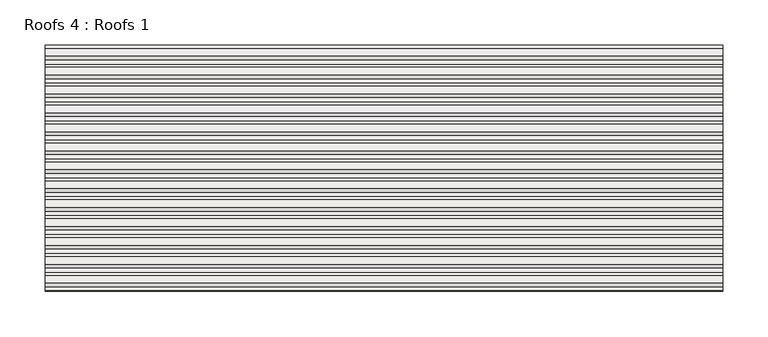
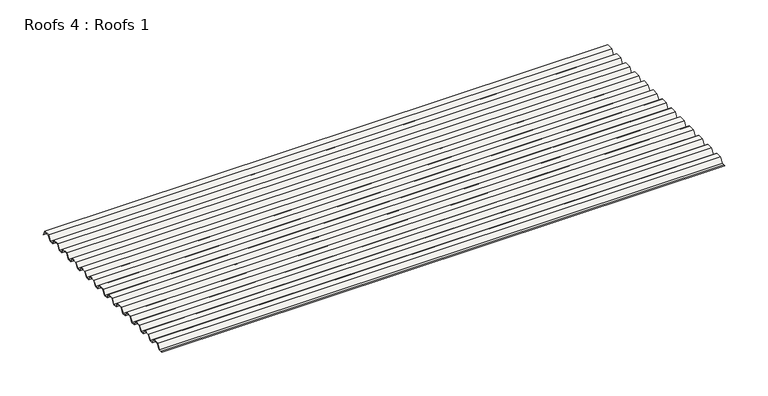
"""IFC4 building model written with IfcOpenShell, lengths in millimetres: roof geometry, Roofs 4 : Roofs 1."""

from ifc_helpers import new_model, si_unit, frame, origin, place, context, project, spatial, polyline, outline, extrude, source, transform, mapped, element, save


def roofs_4_roofs_1_d85139a7(model_context):
    return source(origin(), model_context, "Body", "SweptSolid", [
        extrude(outline(polyline([(-9972.9350025, 23.8967546), (-9978.2553544, 23.8967546), (-9976.7737795, 24.2936296), (-9973.1504699, 24.2936296), (-9969.0285984, 30.639777), (-9960.3688636, 30.639777), (-9957.1359028, 24.2936296), (-9952.2742428, 24.2936296), (-9948.1523713, 30.639777), (-9939.4926365, 30.639777), (-9936.2596757, 24.2936296), (-9931.3980158, 24.2936296), (-9927.2761442, 30.639777), (-9918.6164094, 30.639777), (-9915.3834486, 24.2936296), (-9910.5217887, 24.2936296), (-9906.3999172, 30.639777), (-9897.7401824, 30.639777), (-9894.5072216, 24.2936296), (-9889.6455616, 24.2936296), (-9885.5236901, 30.639777), (-9876.8639553, 30.639777), (-9873.6309945, 24.2936296), (-9868.7693346, 24.2936296), (-9864.647463, 30.639777), (-9855.9877282, 30.639777), (-9852.7547674, 24.2936296), (-9847.8931075, 24.2936296), (-9843.7712359, 30.639777), (-9835.1115012, 30.639777), (-9831.8785404, 24.2936296), (-9827.0168804, 24.2936296), (-9822.8950089, 30.639777), (-9814.2352741, 30.639777), (-9811.0023133, 24.2936296), (-9806.1406534, 24.2936296), (-9802.0187818, 30.639777), (-9793.359047, 30.639777), (-9790.1260862, 24.2936296), (-9785.2644263, 24.2936296), (-9781.1425547, 30.639777), (-9772.4828199, 30.639777), (-9769.2498592, 24.2936296), (-9764.3881992, 24.2936296), (-9760.2663277, 30.639777), (-9751.6065929, 30.639777), (-9748.3736321, 24.2936296), (-9743.5119722, 24.2936296), (-9739.3901006, 30.639777), (-9730.7303658, 30.639777), (-9727.497405, 24.2936296), (-9722.6357451, 24.2936296), (-9718.5138735, 30.639777), (-9709.8541387, 30.639777), (-9706.89711, 24.8352711), (-9706.8644025, 23.8967546), (-9710.0973633, 30.242902), (-9718.2984061, 30.242902), (-9722.4202776, 23.8967546), (-9727.7406296, 23.8967546), (-9730.9735903, 30.242902), (-9739.1746331, 30.242902), (-9743.2965047, 23.8967546), (-9748.6168566, 23.8967546), (-9751.8498174, 30.242902), (-9760.0508602, 30.242902), (-9764.1727318, 23.8967546), (-9769.4930837, 23.8967546), (-9772.7260445, 30.242902), (-9780.9270873, 30.242902), (-9785.0489588, 23.8967546), (-9790.3693108, 23.8967546), (-9793.6022715, 30.242902), (-9801.8033144, 30.242902), (-9805.9251859, 23.8967546), (-9811.2455378, 23.8967546), (-9814.4784986, 30.242902), (-9822.6795414, 30.242902), (-9826.801413, 23.8967546), (-9832.1217649, 23.8967546), (-9835.3547257, 30.242902), (-9843.5557685, 30.242902), (-9847.67764, 23.8967546), (-9852.997992, 23.8967546), (-9856.2309528, 30.242902), (-9864.4319956, 30.242902), (-9868.5538671, 23.8967546), (-9873.874219, 23.8967546), (-9877.1071798, 30.242902), (-9885.3082226, 30.242902), (-9889.4300942, 23.8967546), (-9894.7504461, 23.8967546), (-9897.9834069, 30.242902), (-9906.1844497, 30.242902), (-9910.3063212, 23.8967546), (-9915.6266732, 23.8967546), (-9918.859634, 30.242902), (-9927.0606768, 30.242902), (-9931.1825483, 23.8967546), (-9936.5029002, 23.8967546), (-9939.735861, 30.242902), (-9947.9369038, 30.242902), (-9952.0587754, 23.8967546), (-9957.3791273, 23.8967546), (-9960.6120881, 30.242902), (-9968.8131309, 30.242902), (-9972.9350025, 23.8967546)])), frame((-2077.2921739, 0.0, 0.0), z_axis=(1.0, 0.0, 0.0), x_axis=(0.0, 1.0, 0.0)), (0.0, 0.0, 1.0), 747.2045751),
    ])


if __name__ == "__main__":
    model = new_model("IFC4")
    model_context = context("Model", 3, world=origin())
    ifc_project = project(units=[si_unit("LENGTHUNIT", "METRE", prefix="MILLI")], contexts=[model_context])
    site = spatial("IfcSite", under=ifc_project)
    building = spatial("IfcBuilding", under=site)
    placement = place(None, origin())
    roofs_4_roofs_1_shape = roofs_4_roofs_1_d85139a7(model_context)
    element("IfcRoof", 1, ObjectType="Roofs 4 : Roofs 1", at=placement, inside=building, context=model_context, shape_type="MappedRepresentation", body=[
        mapped(roofs_4_roofs_1_shape, transform((0.0, 0.0, 0.0), x_axis=(1.0, 0.0, 0.0), y_axis=(0.0, 1.0, 0.0), z_axis=(0.0, 0.0, 1.0))),
    ])
    save(model, "model.ifc")
